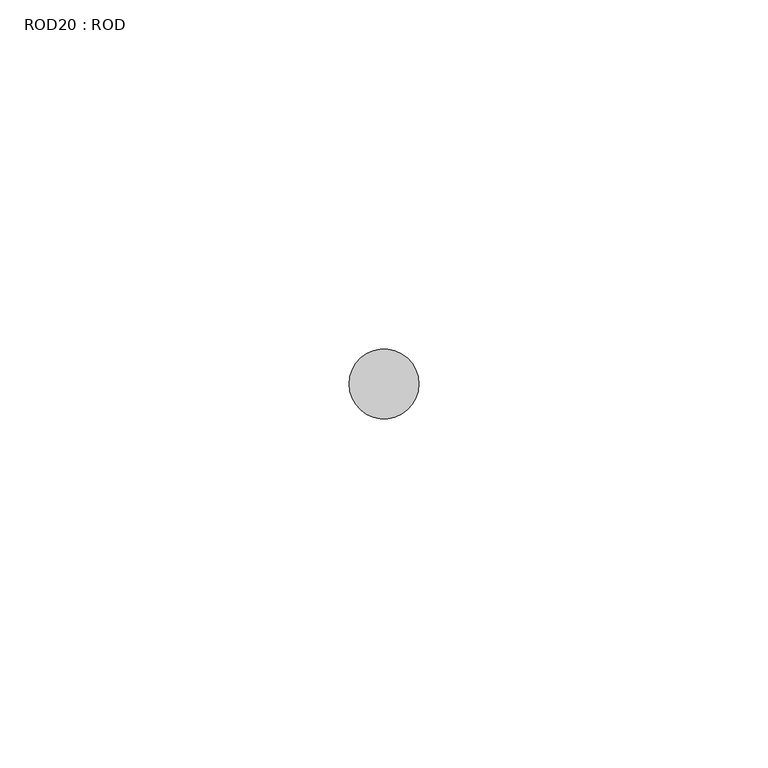
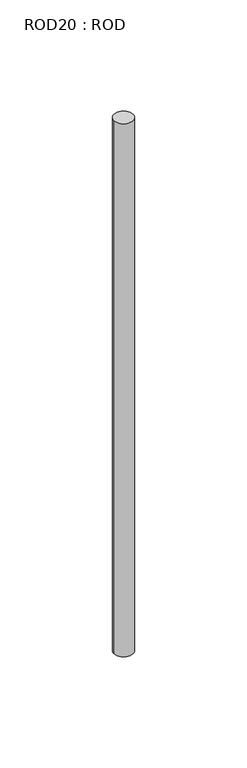
"""IFC4 building model written with IfcOpenShell, lengths in millimetres: proxy geometry, ROD20 : ROD."""

from ifc_helpers import new_model, si_unit, point, frame, frame_2d, origin, place, context, project, spatial, circle_curve, trimmed, segment, composite_curve, outline, extrude, source, transform, mapped, element, save


def rod20_rod_c6674c9f(model_context):
    return source(origin(), model_context, "Body", "SweptSolid", [
        extrude(outline(composite_curve([segment(trimmed(circle_curve(frame_2d((-5867.2215616, -1114.6300853)), 5.0), [point((-5872.2215616, -1114.6300853))], [point((-5862.2215616, -1114.6300853))], False, "CARTESIAN"), True, "CONTINUOUS"), segment(trimmed(circle_curve(frame_2d((-5867.2215616, -1114.6300853)), 5.0), [point((-5862.2215616, -1114.6300853))], [point((-5872.2215616, -1114.6300853))], False, "CARTESIAN"), True, "CONTINUOUS")], self_intersect=False)), frame((0.0, 0.0, -208.6608845), z_axis=(0.0, 0.0, 1.0), x_axis=(1.0, 0.0, 0.0)), (0.0, 0.0, 1.0), 298.9028972),
    ])


if __name__ == "__main__":
    model = new_model("IFC4")
    model_context = context("Model", 3, world=origin())
    ifc_project = project(units=[si_unit("LENGTHUNIT", "METRE", prefix="MILLI")], contexts=[model_context])
    site = spatial("IfcSite", under=ifc_project)
    building = spatial("IfcBuilding", under=site)
    placement = place(None, origin())
    rod20_rod_shape = rod20_rod_c6674c9f(model_context)
    element("IfcBuildingElementProxy", 1, Name="ROD20 : ROD", ObjectType="ROD20 : ROD", at=placement, inside=building, context=model_context, shape_type="MappedRepresentation", body=[
        mapped(rod20_rod_shape, transform((0.0, 0.0, 0.0), x_axis=(1.0, 0.0, 0.0), y_axis=(0.0, 1.0, 0.0), z_axis=(0.0, 0.0, 1.0))),
    ])
    save(model, "model.ifc")
